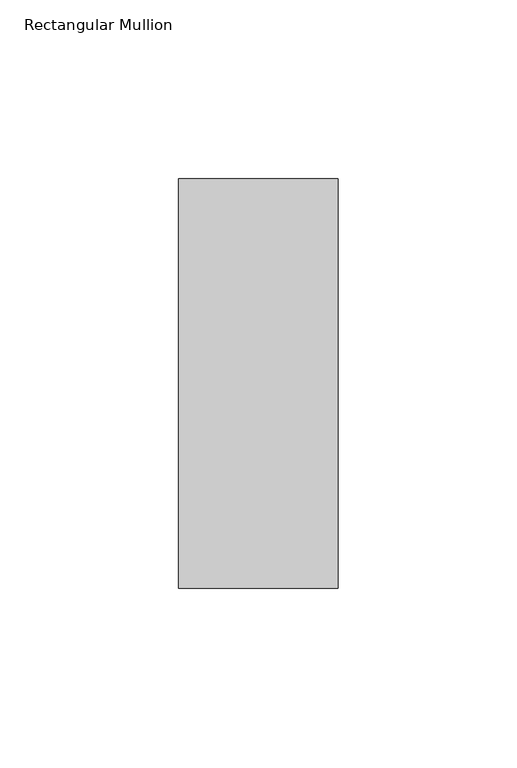
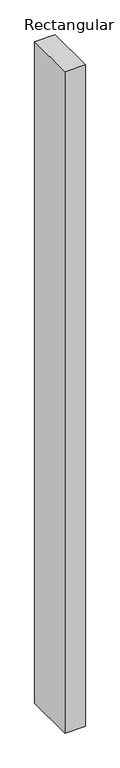
"""IFC4 building model written with IfcOpenShell, lengths in millimetres: member geometry, Rectangular Mullion."""

from ifc_helpers import new_model, si_unit, frame, origin, place, context, project, spatial, polyline, outline, extrude, source, transform, mapped, element, save


def rectangular_mullion_985de098(model_context):
    return source(origin(), model_context, "Body", "SweptSolid", [
        extrude(outline(polyline([(0.0, 57.1666957), (0.0, -57.1079043), (-44.4386654, -57.1079043), (-44.4386654, 57.1666957), (0.0, 57.1666957)])), frame((0.0, 0.0, -1524.0), z_axis=(0.0, 0.0, 1.0), x_axis=(1.0, 0.0, 0.0)), (0.0, 0.0, 1.0), 1524.0),
    ])


if __name__ == "__main__":
    model = new_model("IFC4")
    model_context = context("Model", 3, world=origin())
    ifc_project = project(units=[si_unit("LENGTHUNIT", "METRE", prefix="MILLI")], contexts=[model_context])
    site = spatial("IfcSite", under=ifc_project)
    building = spatial("IfcBuilding", under=site)
    placement = place(None, origin())
    rectangular_mullion_shape = rectangular_mullion_985de098(model_context)
    element("IfcMember", 1, ObjectType="Rectangular Mullion", at=placement, inside=building, context=model_context, shape_type="MappedRepresentation", body=[
        mapped(rectangular_mullion_shape, transform((0.0, 0.0, 0.0), x_axis=(1.0, 0.0, 0.0), y_axis=(0.0, 1.0, 0.0), z_axis=(0.0, 0.0, 1.0))),
    ])
    save(model, "model.ifc")
